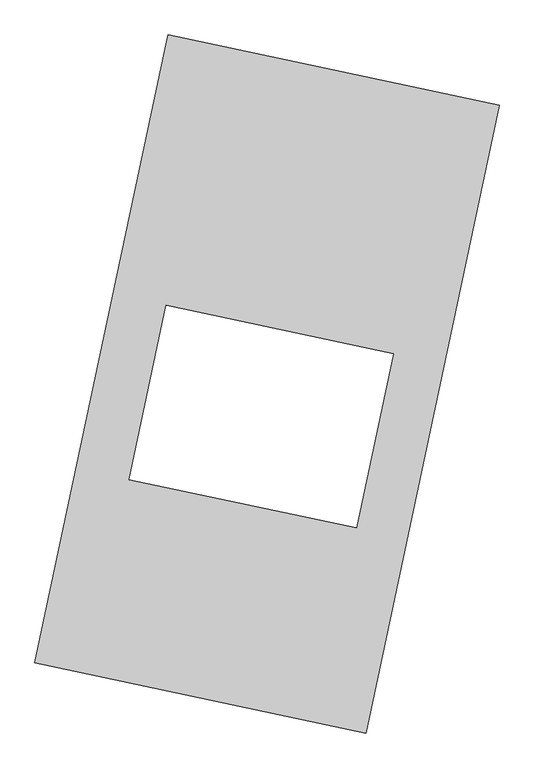
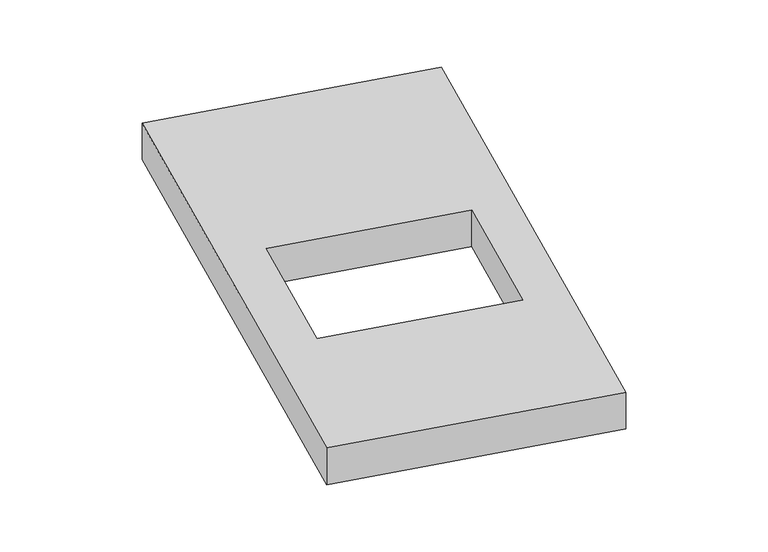
"""IFC4 building model written with IfcOpenShell, lengths in millimetres: proxy geometry."""

from ifc_helpers import new_model, si_unit, origin, origin_with_axes, place, context, project, spatial, polyline, outline, extrude, source, transform, mapped, element, save


def generic_models_6c986a10(model_context):
    return source(origin(), model_context, "Body", "SweptSolid", [
        extrude(outline(polyline([(-617.3692021, 2175.5580432), (1447.7508745, 1737.3010494), (617.3692021, -2175.5580432), (-1447.7508745, -1737.3010494), (-617.3692021, 2175.5580432)]), holes=[polyline([(787.6880688, 189.3533826), (-628.8871695, 489.9770666), (-859.1907313, -595.2412322), (557.384507, -895.8649162), (787.6880688, 189.3533826)])]), origin_with_axes(), (0.0, 0.0, 1.0), 300.0),
    ])


if __name__ == "__main__":
    model = new_model("IFC4")
    model_context = context("Model", 3, world=origin())
    ifc_project = project(units=[si_unit("LENGTHUNIT", "METRE", prefix="MILLI")], contexts=[model_context])
    site = spatial("IfcSite", under=ifc_project)
    building = spatial("IfcBuilding", under=site)
    placement = place(None, origin())
    generic_models_shape = generic_models_6c986a10(model_context)
    element("IfcBuildingElementProxy", 1, Name="Generic Models", at=placement, inside=building, context=model_context, shape_type="MappedRepresentation", body=[
        mapped(generic_models_shape, transform((0.0, 0.0, 0.0), x_axis=(1.0, 0.0, 0.0), y_axis=(0.0, 1.0, 0.0), z_axis=(0.0, 0.0, 1.0))),
    ])
    save(model, "model.ifc")
